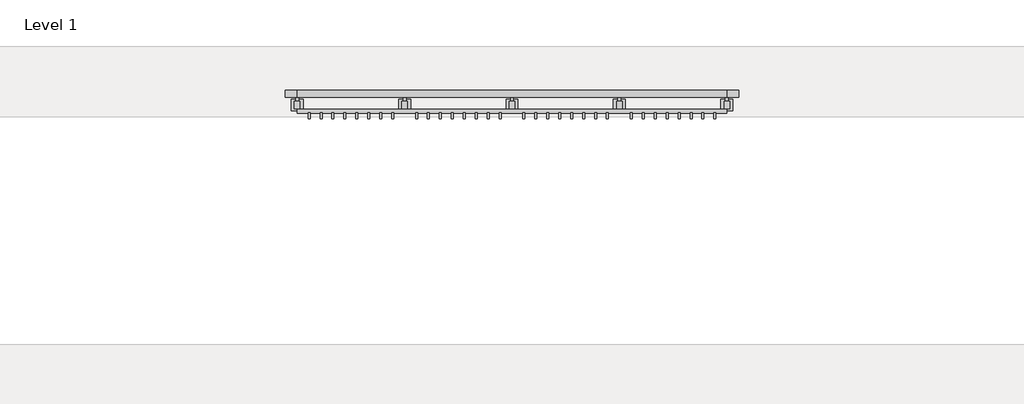
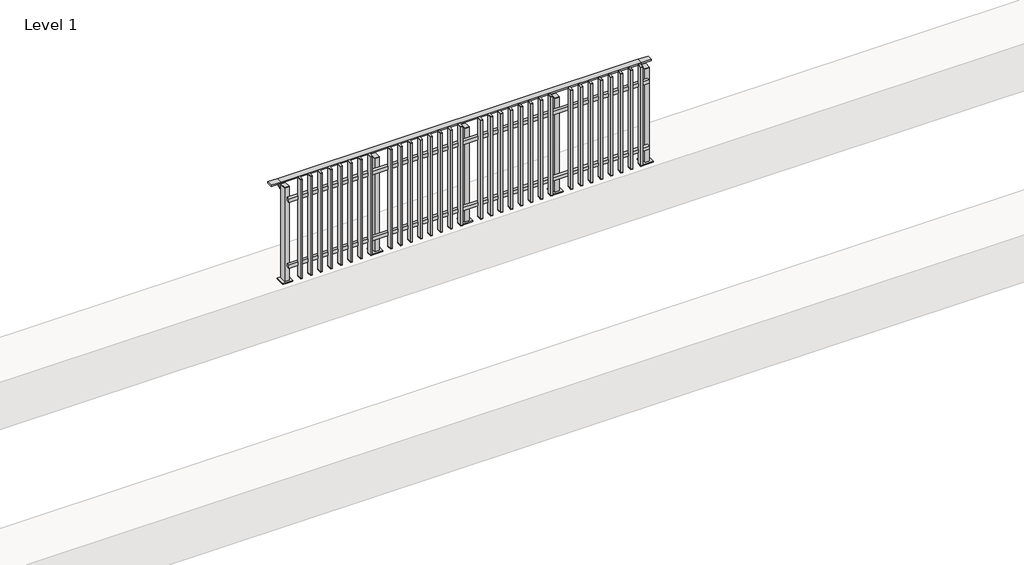
# One storey, part 8 of 17: 1 railing.
"""IFC4 building model written with IfcOpenShell, lengths in millimetres."""

from ifc_helpers import new_model, si_unit, point, frame, frame_2d, origin, origin_with_axes, place, context, project, spatial, polyline, circle_curve, trimmed, segment, composite_curve, outline, extrude, faceted_brep, element, save

model = new_model("IFC4")

# Units and contexts
model_context = context("Model", 3, world=origin())
ifc_project = project(units=[si_unit("LENGTHUNIT", "METRE", prefix="MILLI")], contexts=[model_context])

# Site, building, storey
site = spatial("IfcSite", under=ifc_project)
building = spatial("IfcBuilding", under=site)
storey = spatial("IfcBuildingStorey", under=building, Name="Level 1", Elevation=0.0)

# Railing
placement = place(None, origin())
element("IfcRailing", 1, at=placement, inside=storey, context=model_context, shape_type="SolidModel", body=[
    faceted_brep([(6000.0, 5125.1846828, 985.0), (6000.0, 5125.1846828, 1000.0), (9600.0, 5125.1846828, 1000.0), (9600.0, 5125.1846828, 985.0), (6000.0, 5065.1846828, 985.0), (9600.0, 5065.1846828, 985.0), (6000.0, 5065.1846828, 1000.0), (9600.0, 5065.1846828, 1000.0), (5900.0, 5125.1846828, 1000.0), (5900.0, 5125.1846828, 985.0), (5900.0, 5065.1846828, 985.0), (5900.0, 5065.1846828, 1000.0), (9700.0, 5125.1846828, 1000.0), (9700.0, 5065.1846828, 1000.0), (9700.0, 5065.1846828, 985.0), (9700.0, 5125.1846828, 985.0)], [[[0, 1, 2, 3]], [[4, 0, 3, 5]], [[6, 4, 5, 7]], [[1, 6, 7, 2]], [[8, 9, 10, 11]], [[9, 8, 1, 0]], [[10, 9, 0, 4]], [[11, 10, 4, 6]], [[8, 11, 6, 1]], [[12, 13, 14, 15]], [[3, 2, 12, 15]], [[5, 3, 15, 14]], [[7, 5, 14, 13]], [[2, 7, 13, 12]]]),
    extrude(outline(polyline([(6000.0, 4932.6846828), (6000.0, 4964.6846828), (9600.0, 4964.6846828), (9600.0, 4932.6846828), (6000.0, 4932.6846828)])), frame((0.0, 0.0, 164.0), z_axis=(0.0, 0.0, 1.0), x_axis=(1.0, 0.0, 0.0)), (0.0, 0.0, 1.0), 36.0),
    extrude(outline(polyline([(6000.0, 4932.6846828), (6000.0, 4964.6846828), (9600.0, 4964.6846828), (9600.0, 4932.6846828), (6000.0, 4932.6846828)])), frame((0.0, 0.0, 864.0), z_axis=(0.0, 0.0, 1.0), x_axis=(1.0, 0.0, 0.0)), (0.0, 0.0, 1.0), 36.0),
    extrude(outline(polyline([(9508.5, 4935.6846828), (9508.5, 4886.6846828), (9491.5, 4886.6846828), (9491.5, 4935.6846828), (9508.5, 4935.6846828)])), frame((0.0, 0.0, 50.0), z_axis=(0.0, 0.0, 1.0), x_axis=(1.0, 0.0, 0.0)), (0.0, 0.0, 1.0), 5.0),
    extrude(outline(polyline([(9508.5, 4935.6846828), (9508.5, 4886.6846828), (9491.5, 4886.6846828), (9491.5, 4935.6846828), (9508.5, 4935.6846828)])), frame((0.0, 0.0, 1095.0), z_axis=(0.0, 0.0, 1.0), x_axis=(1.0, 0.0, 0.0)), (0.0, 0.0, 1.0), 5.0),
    extrude(outline(polyline([(9491.5, 4886.6846828), (9491.5, 4935.6846828), (9508.5, 4935.6846828), (9508.5, 4886.6846828), (9491.5, 4886.6846828)])), frame((0.0, 0.0, 55.0), z_axis=(0.0, 0.0, 1.0), x_axis=(1.0, 0.0, 0.0)), (0.0, 0.0, 1.0), 1040.0),
    extrude(outline(polyline([(9408.5, 4935.6846828), (9408.5, 4886.6846828), (9391.5, 4886.6846828), (9391.5, 4935.6846828), (9408.5, 4935.6846828)])), frame((0.0, 0.0, 50.0), z_axis=(0.0, 0.0, 1.0), x_axis=(1.0, 0.0, 0.0)), (0.0, 0.0, 1.0), 5.0),
    extrude(outline(polyline([(9408.5, 4935.6846828), (9408.5, 4886.6846828), (9391.5, 4886.6846828), (9391.5, 4935.6846828), (9408.5, 4935.6846828)])), frame((0.0, 0.0, 1095.0), z_axis=(0.0, 0.0, 1.0), x_axis=(1.0, 0.0, 0.0)), (0.0, 0.0, 1.0), 5.0),
    extrude(outline(polyline([(9391.5, 4886.6846828), (9391.5, 4935.6846828), (9408.5, 4935.6846828), (9408.5, 4886.6846828), (9391.5, 4886.6846828)])), frame((0.0, 0.0, 55.0), z_axis=(0.0, 0.0, 1.0), x_axis=(1.0, 0.0, 0.0)), (0.0, 0.0, 1.0), 1040.0),
    extrude(outline(polyline([(9308.5, 4935.6846828), (9308.5, 4886.6846828), (9291.5, 4886.6846828), (9291.5, 4935.6846828), (9308.5, 4935.6846828)])), frame((0.0, 0.0, 50.0), z_axis=(0.0, 0.0, 1.0), x_axis=(1.0, 0.0, 0.0)), (0.0, 0.0, 1.0), 5.0),
    extrude(outline(polyline([(9308.5, 4935.6846828), (9308.5, 4886.6846828), (9291.5, 4886.6846828), (9291.5, 4935.6846828), (9308.5, 4935.6846828)])), frame((0.0, 0.0, 1095.0), z_axis=(0.0, 0.0, 1.0), x_axis=(1.0, 0.0, 0.0)), (0.0, 0.0, 1.0), 5.0),
    extrude(outline(polyline([(9291.5, 4886.6846828), (9291.5, 4935.6846828), (9308.5, 4935.6846828), (9308.5, 4886.6846828), (9291.5, 4886.6846828)])), frame((0.0, 0.0, 55.0), z_axis=(0.0, 0.0, 1.0), x_axis=(1.0, 0.0, 0.0)), (0.0, 0.0, 1.0), 1040.0),
    extrude(outline(polyline([(9208.5, 4935.6846828), (9208.5, 4886.6846828), (9191.5, 4886.6846828), (9191.5, 4935.6846828), (9208.5, 4935.6846828)])), frame((0.0, 0.0, 50.0), z_axis=(0.0, 0.0, 1.0), x_axis=(1.0, 0.0, 0.0)), (0.0, 0.0, 1.0), 5.0),
    extrude(outline(polyline([(9208.5, 4935.6846828), (9208.5, 4886.6846828), (9191.5, 4886.6846828), (9191.5, 4935.6846828), (9208.5, 4935.6846828)])), frame((0.0, 0.0, 1095.0), z_axis=(0.0, 0.0, 1.0), x_axis=(1.0, 0.0, 0.0)), (0.0, 0.0, 1.0), 5.0),
    extrude(outline(polyline([(9191.5, 4886.6846828), (9191.5, 4935.6846828), (9208.5, 4935.6846828), (9208.5, 4886.6846828), (9191.5, 4886.6846828)])), frame((0.0, 0.0, 55.0), z_axis=(0.0, 0.0, 1.0), x_axis=(1.0, 0.0, 0.0)), (0.0, 0.0, 1.0), 1040.0),
    extrude(outline(polyline([(9108.5, 4935.6846828), (9108.5, 4886.6846828), (9091.5, 4886.6846828), (9091.5, 4935.6846828), (9108.5, 4935.6846828)])), frame((0.0, 0.0, 50.0), z_axis=(0.0, 0.0, 1.0), x_axis=(1.0, 0.0, 0.0)), (0.0, 0.0, 1.0), 5.0),
    extrude(outline(polyline([(9108.5, 4935.6846828), (9108.5, 4886.6846828), (9091.5, 4886.6846828), (9091.5, 4935.6846828), (9108.5, 4935.6846828)])), frame((0.0, 0.0, 1095.0), z_axis=(0.0, 0.0, 1.0), x_axis=(1.0, 0.0, 0.0)), (0.0, 0.0, 1.0), 5.0),
    extrude(outline(polyline([(9091.5, 4886.6846828), (9091.5, 4935.6846828), (9108.5, 4935.6846828), (9108.5, 4886.6846828), (9091.5, 4886.6846828)])), frame((0.0, 0.0, 55.0), z_axis=(0.0, 0.0, 1.0), x_axis=(1.0, 0.0, 0.0)), (0.0, 0.0, 1.0), 1040.0),
    extrude(outline(polyline([(9008.5, 4935.6846828), (9008.5, 4886.6846828), (8991.5, 4886.6846828), (8991.5, 4935.6846828), (9008.5, 4935.6846828)])), frame((0.0, 0.0, 50.0), z_axis=(0.0, 0.0, 1.0), x_axis=(1.0, 0.0, 0.0)), (0.0, 0.0, 1.0), 5.0),
    extrude(outline(polyline([(9008.5, 4935.6846828), (9008.5, 4886.6846828), (8991.5, 4886.6846828), (8991.5, 4935.6846828), (9008.5, 4935.6846828)])), frame((0.0, 0.0, 1095.0), z_axis=(0.0, 0.0, 1.0), x_axis=(1.0, 0.0, 0.0)), (0.0, 0.0, 1.0), 5.0),
    extrude(outline(polyline([(8991.5, 4886.6846828), (8991.5, 4935.6846828), (9008.5, 4935.6846828), (9008.5, 4886.6846828), (8991.5, 4886.6846828)])), frame((0.0, 0.0, 55.0), z_axis=(0.0, 0.0, 1.0), x_axis=(1.0, 0.0, 0.0)), (0.0, 0.0, 1.0), 1040.0),
    extrude(outline(polyline([(8908.5, 4935.6846828), (8908.5, 4886.6846828), (8891.5, 4886.6846828), (8891.5, 4935.6846828), (8908.5, 4935.6846828)])), frame((0.0, 0.0, 50.0), z_axis=(0.0, 0.0, 1.0), x_axis=(1.0, 0.0, 0.0)), (0.0, 0.0, 1.0), 5.0),
    extrude(outline(polyline([(8908.5, 4935.6846828), (8908.5, 4886.6846828), (8891.5, 4886.6846828), (8891.5, 4935.6846828), (8908.5, 4935.6846828)])), frame((0.0, 0.0, 1095.0), z_axis=(0.0, 0.0, 1.0), x_axis=(1.0, 0.0, 0.0)), (0.0, 0.0, 1.0), 5.0),
    extrude(outline(polyline([(8891.5, 4886.6846828), (8891.5, 4935.6846828), (8908.5, 4935.6846828), (8908.5, 4886.6846828), (8891.5, 4886.6846828)])), frame((0.0, 0.0, 55.0), z_axis=(0.0, 0.0, 1.0), x_axis=(1.0, 0.0, 0.0)), (0.0, 0.0, 1.0), 1040.0),
    extrude(outline(polyline([(8808.5, 4935.6846828), (8808.5, 4886.6846828), (8791.5, 4886.6846828), (8791.5, 4935.6846828), (8808.5, 4935.6846828)])), frame((0.0, 0.0, 50.0), z_axis=(0.0, 0.0, 1.0), x_axis=(1.0, 0.0, 0.0)), (0.0, 0.0, 1.0), 5.0),
    extrude(outline(polyline([(8808.5, 4935.6846828), (8808.5, 4886.6846828), (8791.5, 4886.6846828), (8791.5, 4935.6846828), (8808.5, 4935.6846828)])), frame((0.0, 0.0, 1095.0), z_axis=(0.0, 0.0, 1.0), x_axis=(1.0, 0.0, 0.0)), (0.0, 0.0, 1.0), 5.0),
    extrude(outline(polyline([(8791.5, 4886.6846828), (8791.5, 4935.6846828), (8808.5, 4935.6846828), (8808.5, 4886.6846828), (8791.5, 4886.6846828)])), frame((0.0, 0.0, 55.0), z_axis=(0.0, 0.0, 1.0), x_axis=(1.0, 0.0, 0.0)), (0.0, 0.0, 1.0), 1040.0),
    extrude(outline(composite_curve([segment(polyline([(5120.6846828, 985.0), (5120.6846828, 960.900037)]), True, "CONTINUOUS"), segment(trimmed(circle_curve(frame_2d((5110.6846828, 960.900037)), 10.0), [point((5120.6846828, 960.900037))], [point((5113.2728733, 951.2407787))], False, "CARTESIAN"), True, "CONTINUOUS"), segment(polyline([(5113.2728733, 951.2407787), (5056.2244733, 935.9547061)]), True, "CONTINUOUS"), segment(trimmed(circle_curve(frame_2d((5058.8126638, 926.2954478)), 10.0), [point((5056.2244733, 935.9547061))], [point((5048.8982152, 927.6007097))], True, "CARTESIAN"), True, "CONTINUOUS"), segment(polyline([(5048.8982152, 927.6007097), (5044.291393, 892.6084214)]), True, "CONTINUOUS"), segment(trimmed(circle_curve(frame_2d((5041.3170584, 893.0)), 3.0), [point((5044.291393, 892.6084214))], [point((5041.3170584, 890.0))], False, "CARTESIAN"), True, "CONTINUOUS"), segment(polyline([(5041.3170584, 890.0), (5032.6846828, 890.0), (5032.6846828, 940.0), (5096.6846828, 957.1487483), (5096.6846828, 985.0), (5120.6846828, 985.0)]), True, "CONTINUOUS")], self_intersect=False)), frame((8687.5, 0.0, 0.0), z_axis=(1.0, 0.0, 0.0), x_axis=(0.0, 1.0, 0.0)), (0.0, 0.0, 1.0), 25.0),
    extrude(outline(polyline([(8722.5, 5032.6846828), (8722.5, 4967.6846828), (8677.5, 4967.6846828), (8677.5, 5032.6846828), (8722.5, 5032.6846828)])), frame((0.0, 0.0, 1000.0), z_axis=(0.0, 0.0, 1.0), x_axis=(1.0, 0.0, 0.0)), (0.0, 0.0, 1.0), 5.0),
    extrude(outline(polyline([(8750.0, 5050.1846828), (8750.0, 4950.1846828), (8650.0, 4950.1846828), (8650.0, 5050.1846828), (8750.0, 5050.1846828)])), origin_with_axes(), (0.0, 0.0, 1.0), 12.0),
    extrude(outline(polyline([(8722.5, 5032.6846828), (8722.5, 4967.6846828), (8677.5, 4967.6846828), (8677.5, 5032.6846828), (8722.5, 5032.6846828)])), frame((0.0, 0.0, 12.0), z_axis=(0.0, 0.0, 1.0), x_axis=(1.0, 0.0, 0.0)), (0.0, 0.0, 1.0), 988.0),
    extrude(outline(polyline([(8608.5, 4935.6846828), (8608.5, 4886.6846828), (8591.5, 4886.6846828), (8591.5, 4935.6846828), (8608.5, 4935.6846828)])), frame((0.0, 0.0, 50.0), z_axis=(0.0, 0.0, 1.0), x_axis=(1.0, 0.0, 0.0)), (0.0, 0.0, 1.0), 5.0),
    extrude(outline(polyline([(8608.5, 4935.6846828), (8608.5, 4886.6846828), (8591.5, 4886.6846828), (8591.5, 4935.6846828), (8608.5, 4935.6846828)])), frame((0.0, 0.0, 1095.0), z_axis=(0.0, 0.0, 1.0), x_axis=(1.0, 0.0, 0.0)), (0.0, 0.0, 1.0), 5.0),
    extrude(outline(polyline([(8591.5, 4886.6846828), (8591.5, 4935.6846828), (8608.5, 4935.6846828), (8608.5, 4886.6846828), (8591.5, 4886.6846828)])), frame((0.0, 0.0, 55.0), z_axis=(0.0, 0.0, 1.0), x_axis=(1.0, 0.0, 0.0)), (0.0, 0.0, 1.0), 1040.0),
    extrude(outline(polyline([(8508.5, 4935.6846828), (8508.5, 4886.6846828), (8491.5, 4886.6846828), (8491.5, 4935.6846828), (8508.5, 4935.6846828)])), frame((0.0, 0.0, 50.0), z_axis=(0.0, 0.0, 1.0), x_axis=(1.0, 0.0, 0.0)), (0.0, 0.0, 1.0), 5.0),
    extrude(outline(polyline([(8508.5, 4935.6846828), (8508.5, 4886.6846828), (8491.5, 4886.6846828), (8491.5, 4935.6846828), (8508.5, 4935.6846828)])), frame((0.0, 0.0, 1095.0), z_axis=(0.0, 0.0, 1.0), x_axis=(1.0, 0.0, 0.0)), (0.0, 0.0, 1.0), 5.0),
    extrude(outline(polyline([(8491.5, 4886.6846828), (8491.5, 4935.6846828), (8508.5, 4935.6846828), (8508.5, 4886.6846828), (8491.5, 4886.6846828)])), frame((0.0, 0.0, 55.0), z_axis=(0.0, 0.0, 1.0), x_axis=(1.0, 0.0, 0.0)), (0.0, 0.0, 1.0), 1040.0),
    extrude(outline(polyline([(8408.5, 4935.6846828), (8408.5, 4886.6846828), (8391.5, 4886.6846828), (8391.5, 4935.6846828), (8408.5, 4935.6846828)])), frame((0.0, 0.0, 50.0), z_axis=(0.0, 0.0, 1.0), x_axis=(1.0, 0.0, 0.0)), (0.0, 0.0, 1.0), 5.0),
    extrude(outline(polyline([(8408.5, 4935.6846828), (8408.5, 4886.6846828), (8391.5, 4886.6846828), (8391.5, 4935.6846828), (8408.5, 4935.6846828)])), frame((0.0, 0.0, 1095.0), z_axis=(0.0, 0.0, 1.0), x_axis=(1.0, 0.0, 0.0)), (0.0, 0.0, 1.0), 5.0),
    extrude(outline(polyline([(8391.5, 4886.6846828), (8391.5, 4935.6846828), (8408.5, 4935.6846828), (8408.5, 4886.6846828), (8391.5, 4886.6846828)])), frame((0.0, 0.0, 55.0), z_axis=(0.0, 0.0, 1.0), x_axis=(1.0, 0.0, 0.0)), (0.0, 0.0, 1.0), 1040.0),
    extrude(outline(polyline([(8308.5, 4935.6846828), (8308.5, 4886.6846828), (8291.5, 4886.6846828), (8291.5, 4935.6846828), (8308.5, 4935.6846828)])), frame((0.0, 0.0, 50.0), z_axis=(0.0, 0.0, 1.0), x_axis=(1.0, 0.0, 0.0)), (0.0, 0.0, 1.0), 5.0),
    extrude(outline(polyline([(8308.5, 4935.6846828), (8308.5, 4886.6846828), (8291.5, 4886.6846828), (8291.5, 4935.6846828), (8308.5, 4935.6846828)])), frame((0.0, 0.0, 1095.0), z_axis=(0.0, 0.0, 1.0), x_axis=(1.0, 0.0, 0.0)), (0.0, 0.0, 1.0), 5.0),
    extrude(outline(polyline([(8291.5, 4886.6846828), (8291.5, 4935.6846828), (8308.5, 4935.6846828), (8308.5, 4886.6846828), (8291.5, 4886.6846828)])), frame((0.0, 0.0, 55.0), z_axis=(0.0, 0.0, 1.0), x_axis=(1.0, 0.0, 0.0)), (0.0, 0.0, 1.0), 1040.0),
    extrude(outline(polyline([(8208.5, 4935.6846828), (8208.5, 4886.6846828), (8191.5, 4886.6846828), (8191.5, 4935.6846828), (8208.5, 4935.6846828)])), frame((0.0, 0.0, 50.0), z_axis=(0.0, 0.0, 1.0), x_axis=(1.0, 0.0, 0.0)), (0.0, 0.0, 1.0), 5.0),
    extrude(outline(polyline([(8208.5, 4935.6846828), (8208.5, 4886.6846828), (8191.5, 4886.6846828), (8191.5, 4935.6846828), (8208.5, 4935.6846828)])), frame((0.0, 0.0, 1095.0), z_axis=(0.0, 0.0, 1.0), x_axis=(1.0, 0.0, 0.0)), (0.0, 0.0, 1.0), 5.0),
    extrude(outline(polyline([(8191.5, 4886.6846828), (8191.5, 4935.6846828), (8208.5, 4935.6846828), (8208.5, 4886.6846828), (8191.5, 4886.6846828)])), frame((0.0, 0.0, 55.0), z_axis=(0.0, 0.0, 1.0), x_axis=(1.0, 0.0, 0.0)), (0.0, 0.0, 1.0), 1040.0),
    extrude(outline(polyline([(8108.5, 4935.6846828), (8108.5, 4886.6846828), (8091.5, 4886.6846828), (8091.5, 4935.6846828), (8108.5, 4935.6846828)])), frame((0.0, 0.0, 50.0), z_axis=(0.0, 0.0, 1.0), x_axis=(1.0, 0.0, 0.0)), (0.0, 0.0, 1.0), 5.0),
    extrude(outline(polyline([(8108.5, 4935.6846828), (8108.5, 4886.6846828), (8091.5, 4886.6846828), (8091.5, 4935.6846828), (8108.5, 4935.6846828)])), frame((0.0, 0.0, 1095.0), z_axis=(0.0, 0.0, 1.0), x_axis=(1.0, 0.0, 0.0)), (0.0, 0.0, 1.0), 5.0),
    extrude(outline(polyline([(8091.5, 4886.6846828), (8091.5, 4935.6846828), (8108.5, 4935.6846828), (8108.5, 4886.6846828), (8091.5, 4886.6846828)])), frame((0.0, 0.0, 55.0), z_axis=(0.0, 0.0, 1.0), x_axis=(1.0, 0.0, 0.0)), (0.0, 0.0, 1.0), 1040.0),
    extrude(outline(polyline([(8008.5, 4935.6846828), (8008.5, 4886.6846828), (7991.5, 4886.6846828), (7991.5, 4935.6846828), (8008.5, 4935.6846828)])), frame((0.0, 0.0, 50.0), z_axis=(0.0, 0.0, 1.0), x_axis=(1.0, 0.0, 0.0)), (0.0, 0.0, 1.0), 5.0),
    extrude(outline(polyline([(8008.5, 4935.6846828), (8008.5, 4886.6846828), (7991.5, 4886.6846828), (7991.5, 4935.6846828), (8008.5, 4935.6846828)])), frame((0.0, 0.0, 1095.0), z_axis=(0.0, 0.0, 1.0), x_axis=(1.0, 0.0, 0.0)), (0.0, 0.0, 1.0), 5.0),
    extrude(outline(polyline([(7991.5, 4886.6846828), (7991.5, 4935.6846828), (8008.5, 4935.6846828), (8008.5, 4886.6846828), (7991.5, 4886.6846828)])), frame((0.0, 0.0, 55.0), z_axis=(0.0, 0.0, 1.0), x_axis=(1.0, 0.0, 0.0)), (0.0, 0.0, 1.0), 1040.0),
    extrude(outline(polyline([(7908.5, 4935.6846828), (7908.5, 4886.6846828), (7891.5, 4886.6846828), (7891.5, 4935.6846828), (7908.5, 4935.6846828)])), frame((0.0, 0.0, 50.0), z_axis=(0.0, 0.0, 1.0), x_axis=(1.0, 0.0, 0.0)), (0.0, 0.0, 1.0), 5.0),
    extrude(outline(polyline([(7908.5, 4935.6846828), (7908.5, 4886.6846828), (7891.5, 4886.6846828), (7891.5, 4935.6846828), (7908.5, 4935.6846828)])), frame((0.0, 0.0, 1095.0), z_axis=(0.0, 0.0, 1.0), x_axis=(1.0, 0.0, 0.0)), (0.0, 0.0, 1.0), 5.0),
    extrude(outline(polyline([(7891.5, 4886.6846828), (7891.5, 4935.6846828), (7908.5, 4935.6846828), (7908.5, 4886.6846828), (7891.5, 4886.6846828)])), frame((0.0, 0.0, 55.0), z_axis=(0.0, 0.0, 1.0), x_axis=(1.0, 0.0, 0.0)), (0.0, 0.0, 1.0), 1040.0),
    extrude(outline(composite_curve([segment(polyline([(5120.6846828, 985.0), (5120.6846828, 960.900037)]), True, "CONTINUOUS"), segment(trimmed(circle_curve(frame_2d((5110.6846828, 960.900037)), 10.0), [point((5120.6846828, 960.900037))], [point((5113.2728733, 951.2407787))], False, "CARTESIAN"), True, "CONTINUOUS"), segment(polyline([(5113.2728733, 951.2407787), (5056.2244733, 935.9547061)]), True, "CONTINUOUS"), segment(trimmed(circle_curve(frame_2d((5058.8126638, 926.2954478)), 10.0), [point((5056.2244733, 935.9547061))], [point((5048.8982152, 927.6007097))], True, "CARTESIAN"), True, "CONTINUOUS"), segment(polyline([(5048.8982152, 927.6007097), (5044.291393, 892.6084214)]), True, "CONTINUOUS"), segment(trimmed(circle_curve(frame_2d((5041.3170584, 893.0)), 3.0), [point((5044.291393, 892.6084214))], [point((5041.3170584, 890.0))], False, "CARTESIAN"), True, "CONTINUOUS"), segment(polyline([(5041.3170584, 890.0), (5032.6846828, 890.0), (5032.6846828, 940.0), (5096.6846828, 957.1487483), (5096.6846828, 985.0), (5120.6846828, 985.0)]), True, "CONTINUOUS")], self_intersect=False)), frame((7787.5, 0.0, 0.0), z_axis=(1.0, 0.0, 0.0), x_axis=(0.0, 1.0, 0.0)), (0.0, 0.0, 1.0), 25.0),
    extrude(outline(polyline([(7822.5, 5032.6846828), (7822.5, 4967.6846828), (7777.5, 4967.6846828), (7777.5, 5032.6846828), (7822.5, 5032.6846828)])), frame((0.0, 0.0, 1000.0), z_axis=(0.0, 0.0, 1.0), x_axis=(1.0, 0.0, 0.0)), (0.0, 0.0, 1.0), 5.0),
    extrude(outline(polyline([(7850.0, 5050.1846828), (7850.0, 4950.1846828), (7750.0, 4950.1846828), (7750.0, 5050.1846828), (7850.0, 5050.1846828)])), origin_with_axes(), (0.0, 0.0, 1.0), 12.0),
    extrude(outline(polyline([(7822.5, 5032.6846828), (7822.5, 4967.6846828), (7777.5, 4967.6846828), (7777.5, 5032.6846828), (7822.5, 5032.6846828)])), frame((0.0, 0.0, 12.0), z_axis=(0.0, 0.0, 1.0), x_axis=(1.0, 0.0, 0.0)), (0.0, 0.0, 1.0), 988.0),
    extrude(outline(polyline([(7708.5, 4935.6846828), (7708.5, 4886.6846828), (7691.5, 4886.6846828), (7691.5, 4935.6846828), (7708.5, 4935.6846828)])), frame((0.0, 0.0, 50.0), z_axis=(0.0, 0.0, 1.0), x_axis=(1.0, 0.0, 0.0)), (0.0, 0.0, 1.0), 5.0),
    extrude(outline(polyline([(7708.5, 4935.6846828), (7708.5, 4886.6846828), (7691.5, 4886.6846828), (7691.5, 4935.6846828), (7708.5, 4935.6846828)])), frame((0.0, 0.0, 1095.0), z_axis=(0.0, 0.0, 1.0), x_axis=(1.0, 0.0, 0.0)), (0.0, 0.0, 1.0), 5.0),
    extrude(outline(polyline([(7691.5, 4886.6846828), (7691.5, 4935.6846828), (7708.5, 4935.6846828), (7708.5, 4886.6846828), (7691.5, 4886.6846828)])), frame((0.0, 0.0, 55.0), z_axis=(0.0, 0.0, 1.0), x_axis=(1.0, 0.0, 0.0)), (0.0, 0.0, 1.0), 1040.0),
    extrude(outline(polyline([(7608.5, 4935.6846828), (7608.5, 4886.6846828), (7591.5, 4886.6846828), (7591.5, 4935.6846828), (7608.5, 4935.6846828)])), frame((0.0, 0.0, 50.0), z_axis=(0.0, 0.0, 1.0), x_axis=(1.0, 0.0, 0.0)), (0.0, 0.0, 1.0), 5.0),
    extrude(outline(polyline([(7608.5, 4935.6846828), (7608.5, 4886.6846828), (7591.5, 4886.6846828), (7591.5, 4935.6846828), (7608.5, 4935.6846828)])), frame((0.0, 0.0, 1095.0), z_axis=(0.0, 0.0, 1.0), x_axis=(1.0, 0.0, 0.0)), (0.0, 0.0, 1.0), 5.0),
    extrude(outline(polyline([(7591.5, 4886.6846828), (7591.5, 4935.6846828), (7608.5, 4935.6846828), (7608.5, 4886.6846828), (7591.5, 4886.6846828)])), frame((0.0, 0.0, 55.0), z_axis=(0.0, 0.0, 1.0), x_axis=(1.0, 0.0, 0.0)), (0.0, 0.0, 1.0), 1040.0),
    extrude(outline(polyline([(7508.5, 4935.6846828), (7508.5, 4886.6846828), (7491.5, 4886.6846828), (7491.5, 4935.6846828), (7508.5, 4935.6846828)])), frame((0.0, 0.0, 50.0), z_axis=(0.0, 0.0, 1.0), x_axis=(1.0, 0.0, 0.0)), (0.0, 0.0, 1.0), 5.0),
    extrude(outline(polyline([(7508.5, 4935.6846828), (7508.5, 4886.6846828), (7491.5, 4886.6846828), (7491.5, 4935.6846828), (7508.5, 4935.6846828)])), frame((0.0, 0.0, 1095.0), z_axis=(0.0, 0.0, 1.0), x_axis=(1.0, 0.0, 0.0)), (0.0, 0.0, 1.0), 5.0),
    extrude(outline(polyline([(7491.5, 4886.6846828), (7491.5, 4935.6846828), (7508.5, 4935.6846828), (7508.5, 4886.6846828), (7491.5, 4886.6846828)])), frame((0.0, 0.0, 55.0), z_axis=(0.0, 0.0, 1.0), x_axis=(1.0, 0.0, 0.0)), (0.0, 0.0, 1.0), 1040.0),
    extrude(outline(polyline([(7408.5, 4935.6846828), (7408.5, 4886.6846828), (7391.5, 4886.6846828), (7391.5, 4935.6846828), (7408.5, 4935.6846828)])), frame((0.0, 0.0, 50.0), z_axis=(0.0, 0.0, 1.0), x_axis=(1.0, 0.0, 0.0)), (0.0, 0.0, 1.0), 5.0),
    extrude(outline(polyline([(7408.5, 4935.6846828), (7408.5, 4886.6846828), (7391.5, 4886.6846828), (7391.5, 4935.6846828), (7408.5, 4935.6846828)])), frame((0.0, 0.0, 1095.0), z_axis=(0.0, 0.0, 1.0), x_axis=(1.0, 0.0, 0.0)), (0.0, 0.0, 1.0), 5.0),
    extrude(outline(polyline([(7391.5, 4886.6846828), (7391.5, 4935.6846828), (7408.5, 4935.6846828), (7408.5, 4886.6846828), (7391.5, 4886.6846828)])), frame((0.0, 0.0, 55.0), z_axis=(0.0, 0.0, 1.0), x_axis=(1.0, 0.0, 0.0)), (0.0, 0.0, 1.0), 1040.0),
    extrude(outline(polyline([(7308.5, 4935.6846828), (7308.5, 4886.6846828), (7291.5, 4886.6846828), (7291.5, 4935.6846828), (7308.5, 4935.6846828)])), frame((0.0, 0.0, 50.0), z_axis=(0.0, 0.0, 1.0), x_axis=(1.0, 0.0, 0.0)), (0.0, 0.0, 1.0), 5.0),
    extrude(outline(polyline([(7308.5, 4935.6846828), (7308.5, 4886.6846828), (7291.5, 4886.6846828), (7291.5, 4935.6846828), (7308.5, 4935.6846828)])), frame((0.0, 0.0, 1095.0), z_axis=(0.0, 0.0, 1.0), x_axis=(1.0, 0.0, 0.0)), (0.0, 0.0, 1.0), 5.0),
    extrude(outline(polyline([(7291.5, 4886.6846828), (7291.5, 4935.6846828), (7308.5, 4935.6846828), (7308.5, 4886.6846828), (7291.5, 4886.6846828)])), frame((0.0, 0.0, 55.0), z_axis=(0.0, 0.0, 1.0), x_axis=(1.0, 0.0, 0.0)), (0.0, 0.0, 1.0), 1040.0),
    extrude(outline(polyline([(7208.5, 4935.6846828), (7208.5, 4886.6846828), (7191.5, 4886.6846828), (7191.5, 4935.6846828), (7208.5, 4935.6846828)])), frame((0.0, 0.0, 50.0), z_axis=(0.0, 0.0, 1.0), x_axis=(1.0, 0.0, 0.0)), (0.0, 0.0, 1.0), 5.0),
    extrude(outline(polyline([(7208.5, 4935.6846828), (7208.5, 4886.6846828), (7191.5, 4886.6846828), (7191.5, 4935.6846828), (7208.5, 4935.6846828)])), frame((0.0, 0.0, 1095.0), z_axis=(0.0, 0.0, 1.0), x_axis=(1.0, 0.0, 0.0)), (0.0, 0.0, 1.0), 5.0),
    extrude(outline(polyline([(7191.5, 4886.6846828), (7191.5, 4935.6846828), (7208.5, 4935.6846828), (7208.5, 4886.6846828), (7191.5, 4886.6846828)])), frame((0.0, 0.0, 55.0), z_axis=(0.0, 0.0, 1.0), x_axis=(1.0, 0.0, 0.0)), (0.0, 0.0, 1.0), 1040.0),
    extrude(outline(polyline([(7108.5, 4935.6846828), (7108.5, 4886.6846828), (7091.5, 4886.6846828), (7091.5, 4935.6846828), (7108.5, 4935.6846828)])), frame((0.0, 0.0, 50.0), z_axis=(0.0, 0.0, 1.0), x_axis=(1.0, 0.0, 0.0)), (0.0, 0.0, 1.0), 5.0),
    extrude(outline(polyline([(7108.5, 4935.6846828), (7108.5, 4886.6846828), (7091.5, 4886.6846828), (7091.5, 4935.6846828), (7108.5, 4935.6846828)])), frame((0.0, 0.0, 1095.0), z_axis=(0.0, 0.0, 1.0), x_axis=(1.0, 0.0, 0.0)), (0.0, 0.0, 1.0), 5.0),
    extrude(outline(polyline([(7091.5, 4886.6846828), (7091.5, 4935.6846828), (7108.5, 4935.6846828), (7108.5, 4886.6846828), (7091.5, 4886.6846828)])), frame((0.0, 0.0, 55.0), z_axis=(0.0, 0.0, 1.0), x_axis=(1.0, 0.0, 0.0)), (0.0, 0.0, 1.0), 1040.0),
    extrude(outline(polyline([(7008.5, 4935.6846828), (7008.5, 4886.6846828), (6991.5, 4886.6846828), (6991.5, 4935.6846828), (7008.5, 4935.6846828)])), frame((0.0, 0.0, 50.0), z_axis=(0.0, 0.0, 1.0), x_axis=(1.0, 0.0, 0.0)), (0.0, 0.0, 1.0), 5.0),
    extrude(outline(polyline([(7008.5, 4935.6846828), (7008.5, 4886.6846828), (6991.5, 4886.6846828), (6991.5, 4935.6846828), (7008.5, 4935.6846828)])), frame((0.0, 0.0, 1095.0), z_axis=(0.0, 0.0, 1.0), x_axis=(1.0, 0.0, 0.0)), (0.0, 0.0, 1.0), 5.0),
    extrude(outline(polyline([(6991.5, 4886.6846828), (6991.5, 4935.6846828), (7008.5, 4935.6846828), (7008.5, 4886.6846828), (6991.5, 4886.6846828)])), frame((0.0, 0.0, 55.0), z_axis=(0.0, 0.0, 1.0), x_axis=(1.0, 0.0, 0.0)), (0.0, 0.0, 1.0), 1040.0),
    extrude(outline(composite_curve([segment(polyline([(5120.6846828, 985.0), (5120.6846828, 960.900037)]), True, "CONTINUOUS"), segment(trimmed(circle_curve(frame_2d((5110.6846828, 960.900037)), 10.0), [point((5120.6846828, 960.900037))], [point((5113.2728733, 951.2407787))], False, "CARTESIAN"), True, "CONTINUOUS"), segment(polyline([(5113.2728733, 951.2407787), (5056.2244733, 935.9547061)]), True, "CONTINUOUS"), segment(trimmed(circle_curve(frame_2d((5058.8126638, 926.2954478)), 10.0), [point((5056.2244733, 935.9547061))], [point((5048.8982152, 927.6007097))], True, "CARTESIAN"), True, "CONTINUOUS"), segment(polyline([(5048.8982152, 927.6007097), (5044.291393, 892.6084214)]), True, "CONTINUOUS"), segment(trimmed(circle_curve(frame_2d((5041.3170584, 893.0)), 3.0), [point((5044.291393, 892.6084214))], [point((5041.3170584, 890.0))], False, "CARTESIAN"), True, "CONTINUOUS"), segment(polyline([(5041.3170584, 890.0), (5032.6846828, 890.0), (5032.6846828, 940.0), (5096.6846828, 957.1487483), (5096.6846828, 985.0), (5120.6846828, 985.0)]), True, "CONTINUOUS")], self_intersect=False)), frame((6887.5, 0.0, 0.0), z_axis=(1.0, 0.0, 0.0), x_axis=(0.0, 1.0, 0.0)), (0.0, 0.0, 1.0), 25.0),
    extrude(outline(polyline([(6922.5, 5032.6846828), (6922.5, 4967.6846828), (6877.5, 4967.6846828), (6877.5, 5032.6846828), (6922.5, 5032.6846828)])), frame((0.0, 0.0, 1000.0), z_axis=(0.0, 0.0, 1.0), x_axis=(1.0, 0.0, 0.0)), (0.0, 0.0, 1.0), 5.0),
    extrude(outline(polyline([(6950.0, 5050.1846828), (6950.0, 4950.1846828), (6850.0, 4950.1846828), (6850.0, 5050.1846828), (6950.0, 5050.1846828)])), origin_with_axes(), (0.0, 0.0, 1.0), 12.0),
    extrude(outline(polyline([(6922.5, 5032.6846828), (6922.5, 4967.6846828), (6877.5, 4967.6846828), (6877.5, 5032.6846828), (6922.5, 5032.6846828)])), frame((0.0, 0.0, 12.0), z_axis=(0.0, 0.0, 1.0), x_axis=(1.0, 0.0, 0.0)), (0.0, 0.0, 1.0), 988.0),
    extrude(outline(polyline([(6808.5, 4935.6846828), (6808.5, 4886.6846828), (6791.5, 4886.6846828), (6791.5, 4935.6846828), (6808.5, 4935.6846828)])), frame((0.0, 0.0, 50.0), z_axis=(0.0, 0.0, 1.0), x_axis=(1.0, 0.0, 0.0)), (0.0, 0.0, 1.0), 5.0),
    extrude(outline(polyline([(6808.5, 4935.6846828), (6808.5, 4886.6846828), (6791.5, 4886.6846828), (6791.5, 4935.6846828), (6808.5, 4935.6846828)])), frame((0.0, 0.0, 1095.0), z_axis=(0.0, 0.0, 1.0), x_axis=(1.0, 0.0, 0.0)), (0.0, 0.0, 1.0), 5.0),
    extrude(outline(polyline([(6791.5, 4886.6846828), (6791.5, 4935.6846828), (6808.5, 4935.6846828), (6808.5, 4886.6846828), (6791.5, 4886.6846828)])), frame((0.0, 0.0, 55.0), z_axis=(0.0, 0.0, 1.0), x_axis=(1.0, 0.0, 0.0)), (0.0, 0.0, 1.0), 1040.0),
    extrude(outline(polyline([(6708.5, 4935.6846828), (6708.5, 4886.6846828), (6691.5, 4886.6846828), (6691.5, 4935.6846828), (6708.5, 4935.6846828)])), frame((0.0, 0.0, 50.0), z_axis=(0.0, 0.0, 1.0), x_axis=(1.0, 0.0, 0.0)), (0.0, 0.0, 1.0), 5.0),
    extrude(outline(polyline([(6708.5, 4935.6846828), (6708.5, 4886.6846828), (6691.5, 4886.6846828), (6691.5, 4935.6846828), (6708.5, 4935.6846828)])), frame((0.0, 0.0, 1095.0), z_axis=(0.0, 0.0, 1.0), x_axis=(1.0, 0.0, 0.0)), (0.0, 0.0, 1.0), 5.0),
    extrude(outline(polyline([(6691.5, 4886.6846828), (6691.5, 4935.6846828), (6708.5, 4935.6846828), (6708.5, 4886.6846828), (6691.5, 4886.6846828)])), frame((0.0, 0.0, 55.0), z_axis=(0.0, 0.0, 1.0), x_axis=(1.0, 0.0, 0.0)), (0.0, 0.0, 1.0), 1040.0),
    extrude(outline(polyline([(6608.5, 4935.6846828), (6608.5, 4886.6846828), (6591.5, 4886.6846828), (6591.5, 4935.6846828), (6608.5, 4935.6846828)])), frame((0.0, 0.0, 50.0), z_axis=(0.0, 0.0, 1.0), x_axis=(1.0, 0.0, 0.0)), (0.0, 0.0, 1.0), 5.0),
    extrude(outline(polyline([(6608.5, 4935.6846828), (6608.5, 4886.6846828), (6591.5, 4886.6846828), (6591.5, 4935.6846828), (6608.5, 4935.6846828)])), frame((0.0, 0.0, 1095.0), z_axis=(0.0, 0.0, 1.0), x_axis=(1.0, 0.0, 0.0)), (0.0, 0.0, 1.0), 5.0),
    extrude(outline(polyline([(6591.5, 4886.6846828), (6591.5, 4935.6846828), (6608.5, 4935.6846828), (6608.5, 4886.6846828), (6591.5, 4886.6846828)])), frame((0.0, 0.0, 55.0), z_axis=(0.0, 0.0, 1.0), x_axis=(1.0, 0.0, 0.0)), (0.0, 0.0, 1.0), 1040.0),
    extrude(outline(polyline([(6508.5, 4935.6846828), (6508.5, 4886.6846828), (6491.5, 4886.6846828), (6491.5, 4935.6846828), (6508.5, 4935.6846828)])), frame((0.0, 0.0, 50.0), z_axis=(0.0, 0.0, 1.0), x_axis=(1.0, 0.0, 0.0)), (0.0, 0.0, 1.0), 5.0),
    extrude(outline(polyline([(6508.5, 4935.6846828), (6508.5, 4886.6846828), (6491.5, 4886.6846828), (6491.5, 4935.6846828), (6508.5, 4935.6846828)])), frame((0.0, 0.0, 1095.0), z_axis=(0.0, 0.0, 1.0), x_axis=(1.0, 0.0, 0.0)), (0.0, 0.0, 1.0), 5.0),
    extrude(outline(polyline([(6491.5, 4886.6846828), (6491.5, 4935.6846828), (6508.5, 4935.6846828), (6508.5, 4886.6846828), (6491.5, 4886.6846828)])), frame((0.0, 0.0, 55.0), z_axis=(0.0, 0.0, 1.0), x_axis=(1.0, 0.0, 0.0)), (0.0, 0.0, 1.0), 1040.0),
    extrude(outline(polyline([(6408.5, 4935.6846828), (6408.5, 4886.6846828), (6391.5, 4886.6846828), (6391.5, 4935.6846828), (6408.5, 4935.6846828)])), frame((0.0, 0.0, 50.0), z_axis=(0.0, 0.0, 1.0), x_axis=(1.0, 0.0, 0.0)), (0.0, 0.0, 1.0), 5.0),
    extrude(outline(polyline([(6408.5, 4935.6846828), (6408.5, 4886.6846828), (6391.5, 4886.6846828), (6391.5, 4935.6846828), (6408.5, 4935.6846828)])), frame((0.0, 0.0, 1095.0), z_axis=(0.0, 0.0, 1.0), x_axis=(1.0, 0.0, 0.0)), (0.0, 0.0, 1.0), 5.0),
    extrude(outline(polyline([(6391.5, 4886.6846828), (6391.5, 4935.6846828), (6408.5, 4935.6846828), (6408.5, 4886.6846828), (6391.5, 4886.6846828)])), frame((0.0, 0.0, 55.0), z_axis=(0.0, 0.0, 1.0), x_axis=(1.0, 0.0, 0.0)), (0.0, 0.0, 1.0), 1040.0),
    extrude(outline(polyline([(6308.5, 4935.6846828), (6308.5, 4886.6846828), (6291.5, 4886.6846828), (6291.5, 4935.6846828), (6308.5, 4935.6846828)])), frame((0.0, 0.0, 50.0), z_axis=(0.0, 0.0, 1.0), x_axis=(1.0, 0.0, 0.0)), (0.0, 0.0, 1.0), 5.0),
    extrude(outline(polyline([(6308.5, 4935.6846828), (6308.5, 4886.6846828), (6291.5, 4886.6846828), (6291.5, 4935.6846828), (6308.5, 4935.6846828)])), frame((0.0, 0.0, 1095.0), z_axis=(0.0, 0.0, 1.0), x_axis=(1.0, 0.0, 0.0)), (0.0, 0.0, 1.0), 5.0),
    extrude(outline(polyline([(6291.5, 4886.6846828), (6291.5, 4935.6846828), (6308.5, 4935.6846828), (6308.5, 4886.6846828), (6291.5, 4886.6846828)])), frame((0.0, 0.0, 55.0), z_axis=(0.0, 0.0, 1.0), x_axis=(1.0, 0.0, 0.0)), (0.0, 0.0, 1.0), 1040.0),
    extrude(outline(polyline([(6208.5, 4935.6846828), (6208.5, 4886.6846828), (6191.5, 4886.6846828), (6191.5, 4935.6846828), (6208.5, 4935.6846828)])), frame((0.0, 0.0, 50.0), z_axis=(0.0, 0.0, 1.0), x_axis=(1.0, 0.0, 0.0)), (0.0, 0.0, 1.0), 5.0),
    extrude(outline(polyline([(6208.5, 4935.6846828), (6208.5, 4886.6846828), (6191.5, 4886.6846828), (6191.5, 4935.6846828), (6208.5, 4935.6846828)])), frame((0.0, 0.0, 1095.0), z_axis=(0.0, 0.0, 1.0), x_axis=(1.0, 0.0, 0.0)), (0.0, 0.0, 1.0), 5.0),
    extrude(outline(polyline([(6191.5, 4886.6846828), (6191.5, 4935.6846828), (6208.5, 4935.6846828), (6208.5, 4886.6846828), (6191.5, 4886.6846828)])), frame((0.0, 0.0, 55.0), z_axis=(0.0, 0.0, 1.0), x_axis=(1.0, 0.0, 0.0)), (0.0, 0.0, 1.0), 1040.0),
    extrude(outline(polyline([(6108.5, 4935.6846828), (6108.5, 4886.6846828), (6091.5, 4886.6846828), (6091.5, 4935.6846828), (6108.5, 4935.6846828)])), frame((0.0, 0.0, 50.0), z_axis=(0.0, 0.0, 1.0), x_axis=(1.0, 0.0, 0.0)), (0.0, 0.0, 1.0), 5.0),
    extrude(outline(polyline([(6108.5, 4935.6846828), (6108.5, 4886.6846828), (6091.5, 4886.6846828), (6091.5, 4935.6846828), (6108.5, 4935.6846828)])), frame((0.0, 0.0, 1095.0), z_axis=(0.0, 0.0, 1.0), x_axis=(1.0, 0.0, 0.0)), (0.0, 0.0, 1.0), 5.0),
    extrude(outline(polyline([(6091.5, 4886.6846828), (6091.5, 4935.6846828), (6108.5, 4935.6846828), (6108.5, 4886.6846828), (6091.5, 4886.6846828)])), frame((0.0, 0.0, 55.0), z_axis=(0.0, 0.0, 1.0), x_axis=(1.0, 0.0, 0.0)), (0.0, 0.0, 1.0), 1040.0),
    extrude(outline(composite_curve([segment(polyline([(5120.6846828, 985.0), (5120.6846828, 960.900037)]), True, "CONTINUOUS"), segment(trimmed(circle_curve(frame_2d((5110.6846828, 960.900037)), 10.0), [point((5120.6846828, 960.900037))], [point((5113.2728733, 951.2407787))], False, "CARTESIAN"), True, "CONTINUOUS"), segment(polyline([(5113.2728733, 951.2407787), (5056.2244733, 935.9547061)]), True, "CONTINUOUS"), segment(trimmed(circle_curve(frame_2d((5058.8126638, 926.2954478)), 10.0), [point((5056.2244733, 935.9547061))], [point((5048.8982152, 927.6007097))], True, "CARTESIAN"), True, "CONTINUOUS"), segment(polyline([(5048.8982152, 927.6007097), (5044.291393, 892.6084214)]), True, "CONTINUOUS"), segment(trimmed(circle_curve(frame_2d((5041.3170584, 893.0)), 3.0), [point((5044.291393, 892.6084214))], [point((5041.3170584, 890.0))], False, "CARTESIAN"), True, "CONTINUOUS"), segment(polyline([(5041.3170584, 890.0), (5032.6846828, 890.0), (5032.6846828, 940.0), (5096.6846828, 957.1487483), (5096.6846828, 985.0), (5120.6846828, 985.0)]), True, "CONTINUOUS")], self_intersect=False)), frame((9587.5, 0.0, 0.0), z_axis=(1.0, 0.0, 0.0), x_axis=(0.0, 1.0, 0.0)), (0.0, 0.0, 1.0), 25.0),
    extrude(outline(polyline([(9622.5, 5032.6846828), (9622.5, 4967.6846828), (9577.5, 4967.6846828), (9577.5, 5032.6846828), (9622.5, 5032.6846828)])), frame((0.0, 0.0, 1000.0), z_axis=(0.0, 0.0, 1.0), x_axis=(1.0, 0.0, 0.0)), (0.0, 0.0, 1.0), 5.0),
    extrude(outline(polyline([(9650.0, 5050.1846828), (9650.0, 4950.1846828), (9550.0, 4950.1846828), (9550.0, 5050.1846828), (9650.0, 5050.1846828)])), origin_with_axes(), (0.0, 0.0, 1.0), 12.0),
    extrude(outline(polyline([(9622.5, 5032.6846828), (9622.5, 4967.6846828), (9577.5, 4967.6846828), (9577.5, 5032.6846828), (9622.5, 5032.6846828)])), frame((0.0, 0.0, 12.0), z_axis=(0.0, 0.0, 1.0), x_axis=(1.0, 0.0, 0.0)), (0.0, 0.0, 1.0), 988.0),
    extrude(outline(composite_curve([segment(polyline([(5120.6846828, 985.0), (5120.6846828, 960.900037)]), True, "CONTINUOUS"), segment(trimmed(circle_curve(frame_2d((5110.6846828, 960.900037)), 10.0), [point((5120.6846828, 960.900037))], [point((5113.2728733, 951.2407787))], False, "CARTESIAN"), True, "CONTINUOUS"), segment(polyline([(5113.2728733, 951.2407787), (5056.2244733, 935.9547061)]), True, "CONTINUOUS"), segment(trimmed(circle_curve(frame_2d((5058.8126638, 926.2954478)), 10.0), [point((5056.2244733, 935.9547061))], [point((5048.8982152, 927.6007097))], True, "CARTESIAN"), True, "CONTINUOUS"), segment(polyline([(5048.8982152, 927.6007097), (5044.291393, 892.6084214)]), True, "CONTINUOUS"), segment(trimmed(circle_curve(frame_2d((5041.3170584, 893.0)), 3.0), [point((5044.291393, 892.6084214))], [point((5041.3170584, 890.0))], False, "CARTESIAN"), True, "CONTINUOUS"), segment(polyline([(5041.3170584, 890.0), (5032.6846828, 890.0), (5032.6846828, 940.0), (5096.6846828, 957.1487483), (5096.6846828, 985.0), (5120.6846828, 985.0)]), True, "CONTINUOUS")], self_intersect=False)), frame((5987.5, 0.0, 0.0), z_axis=(1.0, 0.0, 0.0), x_axis=(0.0, 1.0, 0.0)), (0.0, 0.0, 1.0), 25.0),
    extrude(outline(polyline([(6022.5, 5032.6846828), (6022.5, 4967.6846828), (5977.5, 4967.6846828), (5977.5, 5032.6846828), (6022.5, 5032.6846828)])), frame((0.0, 0.0, 1000.0), z_axis=(0.0, 0.0, 1.0), x_axis=(1.0, 0.0, 0.0)), (0.0, 0.0, 1.0), 5.0),
    extrude(outline(polyline([(6050.0, 5050.1846828), (6050.0, 4950.1846828), (5950.0, 4950.1846828), (5950.0, 5050.1846828), (6050.0, 5050.1846828)])), origin_with_axes(), (0.0, 0.0, 1.0), 12.0),
    extrude(outline(polyline([(6022.5, 5032.6846828), (6022.5, 4967.6846828), (5977.5, 4967.6846828), (5977.5, 5032.6846828), (6022.5, 5032.6846828)])), frame((0.0, 0.0, 12.0), z_axis=(0.0, 0.0, 1.0), x_axis=(1.0, 0.0, 0.0)), (0.0, 0.0, 1.0), 988.0),
])

save(model, "model.ifc")
